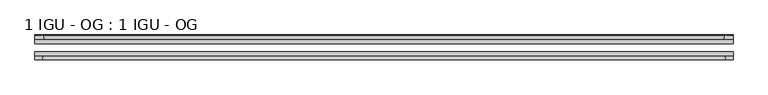
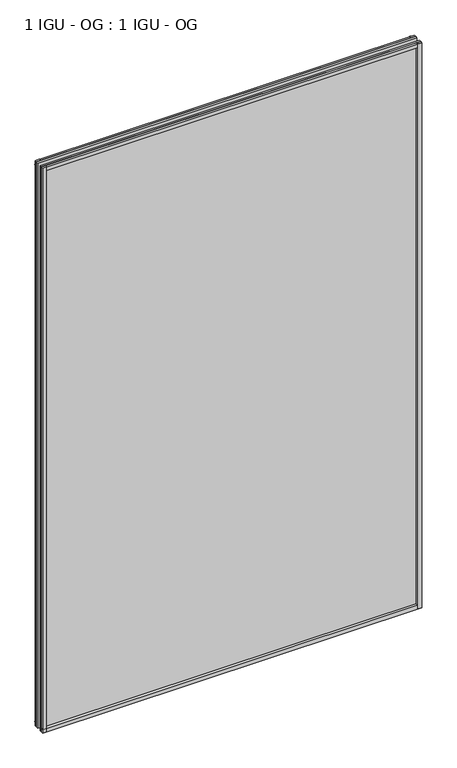
"""IFC4 building model written with IfcOpenShell, lengths in millimetres: plate geometry, 1 IGU - OG : 1 IGU - OG."""

from ifc_helpers import new_model, si_unit, point, frame, frame_2d, origin, place, context, project, spatial, polyline, circle_curve, trimmed, segment, composite_curve, outline, extrude, source, transform, mapped, element, save


def plate_1_igu_og_1_igu_og_45022437(model_context):
    return source(origin(), model_context, "Body", "SweptSolid", [
        extrude(outline(polyline([(538.1625, -31.75), (538.1625, -38.1), (-576.2625, -38.1), (-576.2625, -31.75), (538.1625, -31.75)])), frame((0.0, 0.0, -11.1125), z_axis=(0.0, 0.0, 1.0), x_axis=(1.0, 0.0, 0.0)), (0.0, 0.0, 1.0), 1755.775),
        extrude(outline(polyline([(-576.2625, -12.7), (538.1625, -12.7), (538.1625, -19.05), (-576.2625, -19.05), (-576.2625, -12.7)])), frame((0.0, 0.0, -11.1125), z_axis=(0.0, 0.0, 1.0), x_axis=(1.0, 0.0, 0.0)), (0.0, 0.0, 1.0), 1755.775),
        extrude(outline(composite_curve([segment(polyline([(-560.9267091, -12.7), (-576.2625, -12.7), (-576.2625, -6.35), (-565.15, -6.35), (-565.15, -4.7751661), (-564.220586, -4.7751661)]), True, "CONTINUOUS"), segment(trimmed(circle_curve(frame_2d((-564.220586, -5.5371661)), 0.762), [point((-564.220586, -4.7751661))], [point((-563.4783761, -5.364631))], False, "CARTESIAN"), True, "CONTINUOUS"), segment(trimmed(circle_curve(frame_2d((-527.8491579, 2.9177851)), 36.5792237), [point((-563.4783761, -5.364631))], [point((-560.9267091, -12.7))], True, "CARTESIAN"), True, "CONTINUOUS")], self_intersect=False)), frame((0.0, 0.0, -11.1125), z_axis=(0.0, 0.0, 1.0), x_axis=(1.0, 0.0, 0.0)), (0.0, 0.0, 1.0), 1755.775),
        extrude(outline(polyline([(-576.2625, -38.1), (-563.0447229, -38.1), (-565.15, -44.45), (-576.2625, -44.45), (-576.2625, -38.1)])), frame((0.0, 0.0, -11.1125), z_axis=(0.0, 0.0, 1.0), x_axis=(1.0, 0.0, 0.0)), (0.0, 0.0, 1.0), 1755.775),
        extrude(outline(composite_curve([segment(trimmed(circle_curve(frame_2d((526.120586, -5.5371661)), 0.762), [point((525.3783761, -5.364631))], [point((526.120586, -4.7751661))], False, "CARTESIAN"), True, "CONTINUOUS"), segment(polyline([(526.120586, -4.7751661), (527.05, -4.7751661), (527.05, -6.35), (538.1625, -6.35), (538.1625, -12.7), (522.8267091, -12.7)]), True, "CONTINUOUS"), segment(trimmed(circle_curve(frame_2d((489.7491579, 2.9177851)), 36.5792237), [point((522.8267091, -12.7))], [point((525.3783761, -5.364631))], True, "CARTESIAN"), True, "CONTINUOUS")], self_intersect=False)), frame((0.0, 0.0, -11.1125), z_axis=(0.0, 0.0, 1.0), x_axis=(1.0, 0.0, 0.0)), (0.0, 0.0, 1.0), 1755.775),
        extrude(outline(polyline([(524.9447229, -38.1), (538.1625, -38.1), (538.1625, -44.45), (527.05, -44.45), (524.9447229, -38.1)])), frame((0.0, 0.0, -11.1125), z_axis=(0.0, 0.0, 1.0), x_axis=(1.0, 0.0, 0.0)), (0.0, 0.0, 1.0), 1755.775),
        extrude(outline(composite_curve([segment(polyline([(-12.7, -11.1125), (-12.7, 4.2232909)]), True, "CONTINUOUS"), segment(trimmed(circle_curve(frame_2d((2.9177851, 37.3008421)), 36.5792237), [point((-12.7, 4.2232909))], [point((-5.364631, 1.6716239))], True, "CARTESIAN"), True, "CONTINUOUS"), segment(trimmed(circle_curve(frame_2d((-5.5371661, 0.929414)), 0.762), [point((-5.364631, 1.6716239))], [point((-4.7751661, 0.929414))], False, "CARTESIAN"), True, "CONTINUOUS"), segment(polyline([(-4.7751661, 0.929414), (-4.7751661, 0.0), (-6.35, 0.0), (-6.35, -11.1125), (-12.7, -11.1125)]), True, "CONTINUOUS")], self_intersect=False)), frame((-576.2625, 0.0, 0.0), z_axis=(1.0, 0.0, 0.0), x_axis=(0.0, 1.0, 0.0)), (0.0, 0.0, 1.0), 1114.425),
        extrude(outline(polyline([(-38.1, 2.1052771), (-38.1, -11.1125), (-44.45, -11.1125), (-44.45, 0.0), (-38.1, 2.1052771)])), frame((-576.2625, 0.0, 0.0), z_axis=(1.0, 0.0, 0.0), x_axis=(0.0, 1.0, 0.0)), (0.0, 0.0, 1.0), 1114.425),
        extrude(outline(composite_curve([segment(trimmed(circle_curve(frame_2d((2.9177851, 1696.2491579)), 36.5792237), [point((-5.364631, 1731.8783761))], [point((-12.7, 1729.3267091))], True, "CARTESIAN"), True, "CONTINUOUS"), segment(polyline([(-12.7, 1729.3267091), (-12.7, 1744.6625), (-6.35, 1744.6625), (-6.35, 1733.55), (-4.7751661, 1733.55), (-4.7751661, 1732.620586)]), True, "CONTINUOUS"), segment(trimmed(circle_curve(frame_2d((-5.5371661, 1732.620586)), 0.762), [point((-4.7751661, 1732.620586))], [point((-5.364631, 1731.8783761))], False, "CARTESIAN"), True, "CONTINUOUS")], self_intersect=False)), frame((-576.2625, 0.0, 0.0), z_axis=(1.0, 0.0, 0.0), x_axis=(0.0, 1.0, 0.0)), (0.0, 0.0, 1.0), 1114.425),
        extrude(outline(polyline([(-38.1, 1744.6625), (-38.1, 1731.4447229), (-44.45, 1733.55), (-44.45, 1744.6625), (-38.1, 1744.6625)])), frame((-576.2625, 0.0, 0.0), z_axis=(1.0, 0.0, 0.0), x_axis=(0.0, 1.0, 0.0)), (0.0, 0.0, 1.0), 1114.425),
    ])


if __name__ == "__main__":
    model = new_model("IFC4")
    model_context = context("Model", 3, world=origin())
    ifc_project = project(units=[si_unit("LENGTHUNIT", "METRE", prefix="MILLI")], contexts=[model_context])
    site = spatial("IfcSite", under=ifc_project)
    building = spatial("IfcBuilding", under=site)
    placement = place(None, origin())
    plate_1_igu_og_1_igu_og_shape = plate_1_igu_og_1_igu_og_45022437(model_context)
    element("IfcPlate", 1, ObjectType="1 IGU - OG : 1 IGU - OG", at=placement, inside=building, context=model_context, shape_type="MappedRepresentation", body=[
        mapped(plate_1_igu_og_1_igu_og_shape, transform((0.0, 0.0, 0.0), x_axis=(1.0, 0.0, 0.0), y_axis=(0.0, 1.0, 0.0), z_axis=(0.0, 0.0, 1.0))),
    ])
    save(model, "model.ifc")
